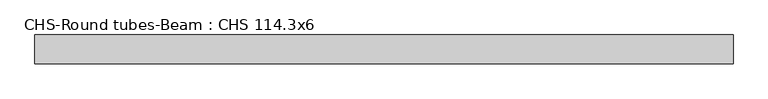
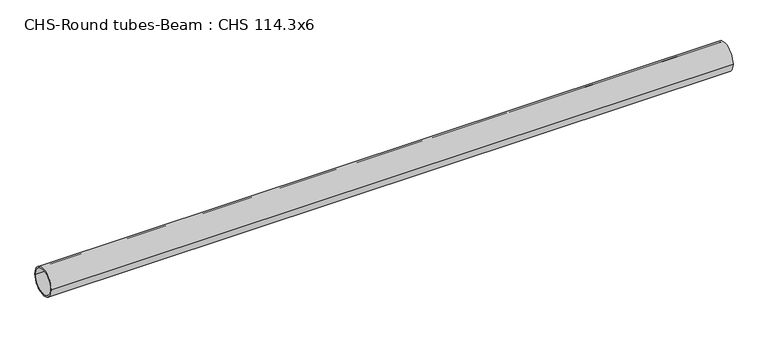
"""IFC4 building model written with IfcOpenShell, lengths in millimetres: beam geometry, CHS-Round tubes-Beam : CHS 114.3x6."""

from ifc_helpers import new_model, si_unit, point, frame, origin, origin_2d, place, context, project, spatial, circle_curve, trimmed, segment, composite_curve, outline, extrude, source, transform, mapped, element, save


def chs_round_tubes_beam_chs_114_3x6_207bda18(model_context):
    return source(origin(), model_context, "Body", "SweptSolid", [
        extrude(outline(composite_curve([segment(trimmed(circle_curve(origin_2d(), 57.15), [point((57.15, 0.0))], [point((-57.15, 0.0))], False, "CARTESIAN"), True, "CONTINUOUS"), segment(trimmed(circle_curve(origin_2d(), 57.15), [point((-57.15, 0.0))], [point((57.15, 0.0))], False, "CARTESIAN"), True, "CONTINUOUS")], self_intersect=False), holes=[composite_curve([segment(trimmed(circle_curve(origin_2d(), 51.15), [point((51.15, 0.0))], [point((-51.15, 0.0))], True, "CARTESIAN"), True, "CONTINUOUS"), segment(trimmed(circle_curve(origin_2d(), 51.15), [point((-51.15, 0.0))], [point((51.15, 0.0))], True, "CARTESIAN"), True, "CONTINUOUS")], self_intersect=False)]), frame((-1331.6645387, 0.0, 0.0), z_axis=(1.0, 0.0, 0.0), x_axis=(0.0, 1.0, 0.0)), (0.0, 0.0, 1.0), 2773.7994394),
    ])


if __name__ == "__main__":
    model = new_model("IFC4")
    model_context = context("Model", 3, world=origin())
    ifc_project = project(units=[si_unit("LENGTHUNIT", "METRE", prefix="MILLI")], contexts=[model_context])
    site = spatial("IfcSite", under=ifc_project)
    building = spatial("IfcBuilding", under=site)
    placement = place(None, origin())
    chs_round_tubes_beam_chs_114_3x6_shape = chs_round_tubes_beam_chs_114_3x6_207bda18(model_context)
    element("IfcBeam", 1, ObjectType="CHS-Round tubes-Beam : CHS 114.3x6", at=placement, inside=building, context=model_context, shape_type="MappedRepresentation", body=[
        mapped(chs_round_tubes_beam_chs_114_3x6_shape, transform((0.0, 0.0, 0.0), x_axis=(1.0, 0.0, 0.0), y_axis=(0.0, 1.0, 0.0), z_axis=(0.0, 0.0, 1.0))),
    ])
    save(model, "model.ifc")
